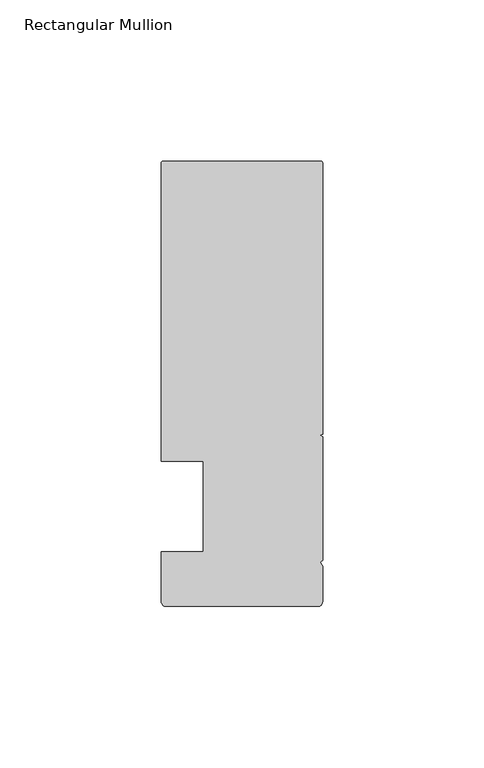
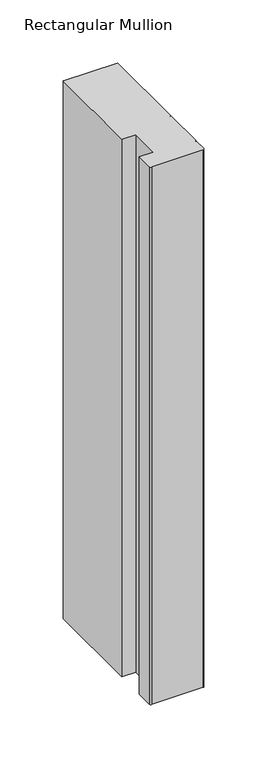
"""IFC4 building model written with IfcOpenShell, lengths in millimetres: member geometry, Rectangular Mullion."""

from ifc_helpers import new_model, si_unit, point, frame, frame_2d, origin, place, context, project, spatial, polyline, circle_curve, trimmed, segment, composite_curve, outline, extrude, source, transform, mapped, element, save


def rectangular_mullion_2a7332be(model_context):
    return source(origin(), model_context, "Body", "SweptSolid", [
        extrude(outline(composite_curve([segment(trimmed(circle_curve(frame_2d((-49.5, 106.500001)), 0.5), [point((-50.0, 106.500001))], [point((-49.5, 107.000001))], False, "CARTESIAN"), True, "CONTINUOUS"), segment(polyline([(-49.5, 107.000001), (-0.5, 107.000001)]), True, "CONTINUOUS"), segment(trimmed(circle_curve(frame_2d((-0.5, 106.500001)), 0.5), [point((-0.5, 107.000001))], [point((0.0, 106.500001))], False, "CARTESIAN"), True, "CONTINUOUS"), segment(polyline([(0.0, 106.500001), (0.0, 22.4015984), (-0.695587, 22.000001), (0.0, 21.5984037), (0.0, -16.700633), (-0.6643165, -17.3649495), (0.0, -18.5155795), (0.0, -29.499999)]), True, "CONTINUOUS"), segment(trimmed(circle_curve(frame_2d((-1.5, -29.499999)), 1.5), [point((0.0, -29.499999))], [point((-1.5, -30.999999))], False, "CARTESIAN"), True, "CONTINUOUS"), segment(polyline([(-1.5, -30.999999), (-48.5, -30.999999)]), True, "CONTINUOUS"), segment(trimmed(circle_curve(frame_2d((-48.5, -29.499999)), 1.5), [point((-48.5, -30.999999))], [point((-50.0, -29.499999))], False, "CARTESIAN"), True, "CONTINUOUS"), segment(polyline([(-50.0, -29.499999), (-50.0, -14.0), (-36.9999999, -14.0), (-36.9999999, 14.0), (-50.0, 14.0), (-50.0, 106.500001)]), True, "CONTINUOUS")], self_intersect=False)), frame((0.0, 0.0, -520.6992093), z_axis=(0.0, 0.0, 1.0), x_axis=(1.0, 0.0, 0.0)), (0.0, 0.0, 1.0), 520.6992093),
    ])


if __name__ == "__main__":
    model = new_model("IFC4")
    model_context = context("Model", 3, world=origin())
    ifc_project = project(units=[si_unit("LENGTHUNIT", "METRE", prefix="MILLI")], contexts=[model_context])
    site = spatial("IfcSite", under=ifc_project)
    building = spatial("IfcBuilding", under=site)
    placement = place(None, origin())
    rectangular_mullion_shape = rectangular_mullion_2a7332be(model_context)
    element("IfcMember", 1, ObjectType="Rectangular Mullion", at=placement, inside=building, context=model_context, shape_type="MappedRepresentation", body=[
        mapped(rectangular_mullion_shape, transform((0.0, 0.0, 0.0), x_axis=(1.0, 0.0, 0.0), y_axis=(0.0, 1.0, 0.0), z_axis=(0.0, 0.0, 1.0))),
    ])
    save(model, "model.ifc")
